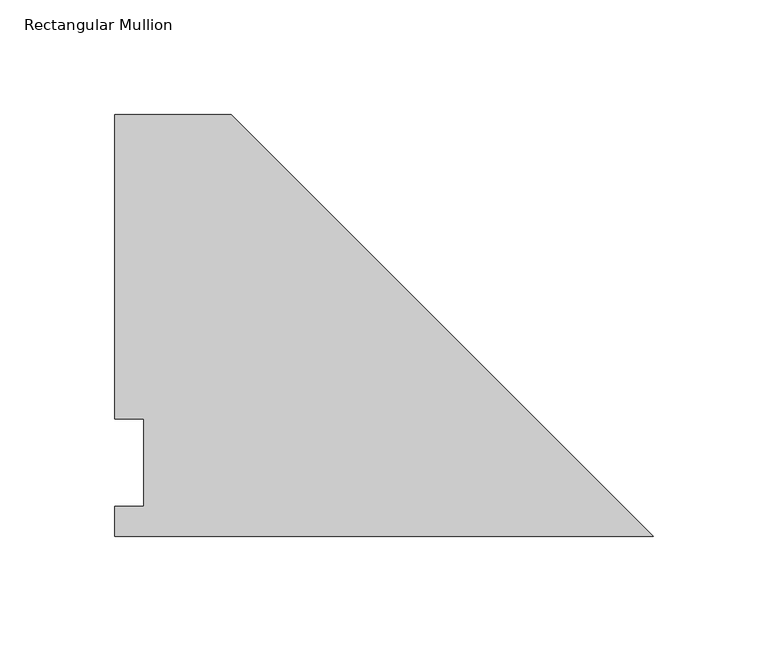
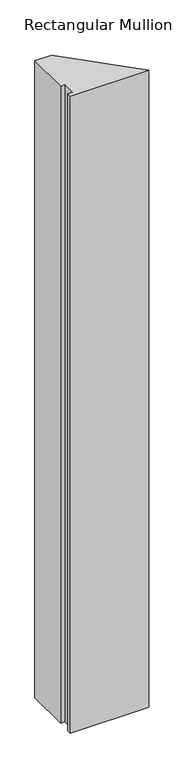
"""IFC4 building model written with IfcOpenShell, lengths in millimetres: member geometry, Rectangular Mullion."""

from ifc_helpers import new_model, si_unit, frame, origin, place, context, project, spatial, polyline, outline, extrude, source, transform, mapped, element, save


def rectangular_mullion_0c3f58bd(model_context):
    return source(origin(), model_context, "Body", "SweptSolid", [
        extrude(outline(polyline([(-184.2262, 184.2396938), (0.0, 0.0134937), (-235.0262, 0.0134937), (-235.0262, 13.1960938), (-222.3262, 13.1960938), (-222.3262, 51.2960938), (-235.0262, 51.2960938), (-235.0262, 184.2396938), (-184.2262, 184.2396938)])), frame((0.0, 0.0, -2019.3), z_axis=(0.0, 0.0, 1.0), x_axis=(1.0, 0.0, 0.0)), (0.0, 0.0, 1.0), 2019.3),
    ])


if __name__ == "__main__":
    model = new_model("IFC4")
    model_context = context("Model", 3, world=origin())
    ifc_project = project(units=[si_unit("LENGTHUNIT", "METRE", prefix="MILLI")], contexts=[model_context])
    site = spatial("IfcSite", under=ifc_project)
    building = spatial("IfcBuilding", under=site)
    placement = place(None, origin())
    rectangular_mullion_shape = rectangular_mullion_0c3f58bd(model_context)
    element("IfcMember", 1, ObjectType="Rectangular Mullion", at=placement, inside=building, context=model_context, shape_type="MappedRepresentation", body=[
        mapped(rectangular_mullion_shape, transform((0.0, 0.0, 0.0), x_axis=(1.0, 0.0, 0.0), y_axis=(0.0, 1.0, 0.0), z_axis=(0.0, 0.0, 1.0))),
    ])
    save(model, "model.ifc")
